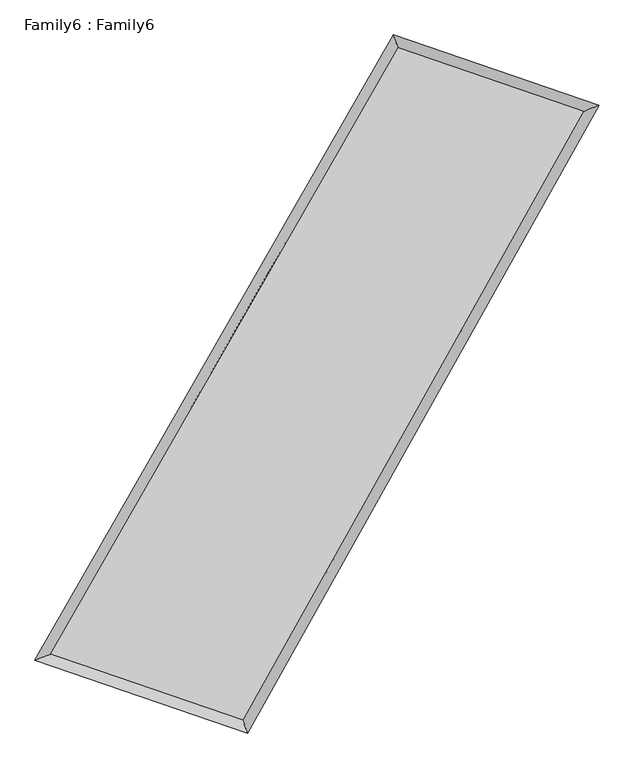
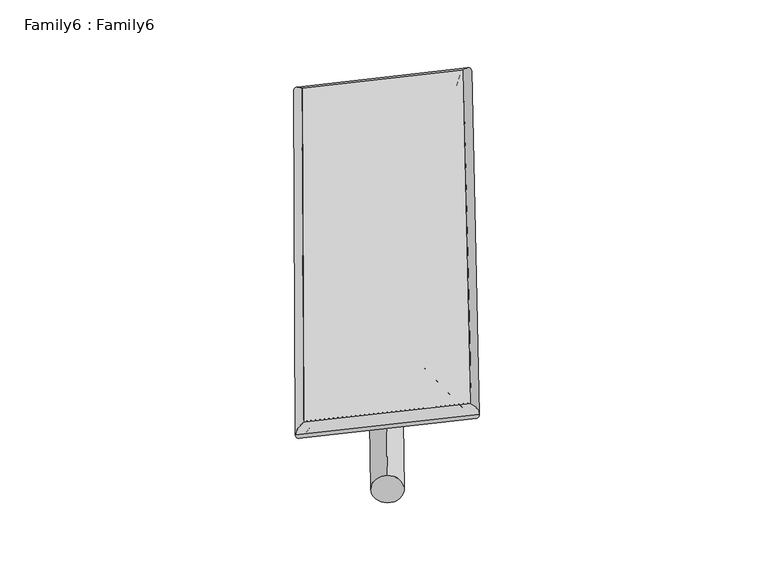
"""IFC4 building model written with IfcOpenShell, lengths in millimetres: plate geometry, Family6 : Family6."""

from ifc_helpers import new_model, si_unit, point, frame, origin, origin_2d, place, context, project, spatial, circle_curve, ellipse_curve, trimmed, segment, composite_curve, outline, extrude, source, transform, mapped, element, save
from ifc_brep_helpers import plane_surface, cylinder_surface, spline_surface, advanced_brep


def family6_family6_426306de(model_context):
    return source(origin(), model_context, "Body", "SolidModel", [
        extrude(outline(composite_curve([segment(trimmed(circle_curve(origin_2d(), 76.2), [point((-75.4341514, -10.7763074))], [point((75.4341514, 10.7763074))], False, "CARTESIAN"), True, "CONTINUOUS"), segment(trimmed(circle_curve(origin_2d(), 76.2), [point((75.4341514, 10.7763074))], [point((-75.4341514, -10.7763074))], False, "CARTESIAN"), True, "CONTINUOUS")], self_intersect=False)), frame((9144.0, 9144.0, 0.0), z_axis=(0.6751856242604717, 0.691868570844979, 0.25581683578084446), x_axis=(-0.6822164138129531, 0.7175902596914275, -0.14016056478262165)), (0.0, 0.0, 1.0), 5962.6651664),
        extrude(outline(composite_curve([segment(trimmed(circle_curve(origin_2d(), 76.2), [point((-53.8815368, 53.8815367))], [point((53.8815368, -53.8815367))], False, "CARTESIAN"), True, "CONTINUOUS"), segment(trimmed(circle_curve(origin_2d(), 76.2), [point((53.8815368, -53.8815367))], [point((-53.8815368, 53.8815367))], False, "CARTESIAN"), True, "CONTINUOUS")], self_intersect=False)), frame((9144.0, 9144.0, 0.0), z_axis=(-0.6812646156890454, -0.6862712959065231, 0.25477486497855084), x_axis=(0.6291513149495431, -0.3709880299649584, 0.6830347754836353)), (0.0, 0.0, 1.0), 5987.3926434),
        extrude(outline(composite_curve([segment(trimmed(circle_curve(origin_2d(), 76.2), [point((-53.8815367, -53.8815367))], [point((53.8815367, 53.8815367))], False, "CARTESIAN"), True, "CONTINUOUS"), segment(trimmed(circle_curve(origin_2d(), 76.2), [point((53.8815367, 53.8815367))], [point((-53.8815367, -53.8815367))], False, "CARTESIAN"), True, "CONTINUOUS")], self_intersect=False)), frame((9144.0, 9144.0, 0.0), z_axis=(0.22025527224044994, 0.9346441776992356, 0.2791556485962713), x_axis=(-0.8500000270903699, 0.32429705389693886, -0.41512814260193964)), (0.0, 0.0, 1.0), 5450.7428921),
        extrude(outline(composite_curve([segment(trimmed(circle_curve(origin_2d(), 76.2), [point((-75.4341514, 10.7763074))], [point((75.4341514, -10.7763074))], False, "CARTESIAN"), True, "CONTINUOUS"), segment(trimmed(circle_curve(origin_2d(), 76.2), [point((75.4341514, -10.7763074))], [point((-75.4341514, 10.7763074))], False, "CARTESIAN"), True, "CONTINUOUS")], self_intersect=False)), frame((9144.0, 9144.0, 0.0), z_axis=(-0.21043238119192234, -0.9369845190749209, 0.27888747544455467), x_axis=(0.8952350153478267, -0.07007823623804098, 0.44004921099911304)), (0.0, 0.0, 1.0), 5456.6890519),
        advanced_brep(
        [(4840.9255471, 4950.6847932, 1525.2104219), (4840.9251495, 4950.6842777, 1525.7470368), (5289.0769566, 5119.3637898, 1525.6638827), (10414.1346185, 14053.5225047, 1521.9445188), (10274.9751008, 14423.4877118, 1521.266816), (5289.0773542, 5119.3643053, 1525.1272678), (12947.6839203, 13184.4889928, 1525.3022592), (13392.127685, 13354.2722614, 1525.3980122), (7924.8790089, 4216.5295415, 1521.8581477), (8066.5928498, 3845.8041244, 1521.7463203)],
        [
            (0, 1, ellipse_curve(frame((5065.0012518, 5035.0242915, 1525.4371523), z_axis=(-0.352262888666352, 0.9359008762664683, 0.0006380220168178377), x_axis=(-0.9359003800918207, -0.3522633800772486, 0.0009947866792998144)), 239.4231425, 152.4)),
            (1, 2, ellipse_curve(frame((5065.0012518, 5035.0242915, 1525.4371523), z_axis=(-0.352262888666352, 0.9359008762664683, 0.0006380220168178377), x_axis=(-0.9359003800918207, -0.3522633800772486, 0.0009947866792998144)), 239.4231425, 152.4)),
            (2, 3),
            (3, 4, ellipse_curve(frame((10344.5548596, 14238.5051083, 1521.6056674), z_axis=(-0.9359767339517832, -0.3520613846999472, -0.0005787090019399818), x_axis=(0.35206047375710425, -0.9359763965366154, 0.0012680474186107988)), 197.6360963, 152.4)),
            (4, 0),
            (2, 5, ellipse_curve(frame((5065.0012518, 5035.0242915, 1525.4371523), z_axis=(-0.352262888666352, 0.9359008762664683, 0.0006380220168178377), x_axis=(-0.9359003800918207, -0.3522633800772486, 0.0009947866792998144)), 239.4231425, 152.4)),
            (5, 0, ellipse_curve(frame((5065.0012518, 5035.0242915, 1525.4371523), z_axis=(-0.352262888666352, 0.9359008762664683, 0.0006380220168178377), x_axis=(-0.9359003800918207, -0.3522633800772486, 0.0009947866792998144)), 239.4231425, 152.4)),
            (4, 3, ellipse_curve(frame((10344.5548596, 14238.5051083, 1521.6056674), z_axis=(-0.9359767339517832, -0.3520613846999472, -0.0005787090019399818), x_axis=(0.35206047375710425, -0.9359763965366154, 0.0012680474186107988)), 197.6360963, 152.4)),
            (3, 6),
            (6, 7, ellipse_curve(frame((13169.9058026, 13269.3806271, 1525.3501357), z_axis=(-0.35686011921192984, 0.9341575570474755, -0.0007168871180225312), x_axis=(-0.9341570325499244, -0.35686071275358217, -0.0010345194657262748)), 237.8848741, 152.4)),
            (7, 4),
            (7, 6, ellipse_curve(frame((13169.9058026, 13269.3806271, 1525.3501357), z_axis=(-0.35686011921192984, 0.9341575570474755, -0.0007168871180225312), x_axis=(-0.9341570325499244, -0.35686071275358217, -0.0010345194657262748)), 237.8848741, 152.4)),
            (6, 8),
            (8, 9, ellipse_curve(frame((7995.7359294, 4031.1668329, 1521.802234), z_axis=(0.9340803095858388, 0.35706256787159785, -0.0005457737295470687), x_axis=(-0.3570617731642904, 0.9340800305498683, 0.0011775706900636008)), 198.444103, 152.4)),
            (9, 7),
            (9, 8, ellipse_curve(frame((7995.7359294, 4031.1668329, 1521.802234), z_axis=(0.9340803095858388, 0.35706256787159785, -0.0005457737295470687), x_axis=(-0.3570617731642904, 0.9340800305498683, 0.0011775706900636008)), 198.444103, 152.4)),
            (8, 5),
            (1, 9),
        ],
        [
            cylinder_surface(frame((5065.0012518, 5035.0242915, 1525.4371523), z_axis=(-0.4975891503204302, -0.867412766266544, 0.00036111108313663647), x_axis=(-0.8674115611577647, 0.4975876575068107, -0.0019252705613368214)), 152.4),
            cylinder_surface(frame((10344.5548596, 14238.5051083, 1521.6056674), z_axis=(-0.9459007474992982, 0.32445370137489604, -0.0012536125393969103), x_axis=(0.32445513636484435, 0.9459003395282201, -0.0011883462747077655)), 152.4),
            cylinder_surface(frame((13169.9058026, 13269.3806271, 1525.3501357), z_axis=(0.48865871074675704, 0.8724749578864128, 0.0003350707682117273), x_axis=(0.8724750178457833, -0.48865871074675704, -8.744322529583252e-05)), 152.4),
            cylinder_surface(frame((7995.7359294, 4031.1668329, 1521.802234), z_axis=(0.9460409054455137, -0.3240451025251038, -0.0011733513231847648), x_axis=(-0.3240445859915539, -0.9460416122708207, 0.0006116711441656437)), 152.4),
        ],
        [
            (0, [[1, 2, 3, 4, 5]]),
            (0, [[6, 7, -5, 8, -3]]),
            (1, [[-4, 9, 10, 11]]),
            (1, [[-8, -11, 12, -9]]),
            (2, [[-10, 13, 14, 15]]),
            (2, [[-12, -15, 16, -13]]),
            (3, [[-14, 17, -6, -2, 18]]),
            (3, [[-16, -18, -1, -7, -17]]),
        ],
    ),
        extrude(outline(composite_curve([segment(trimmed(circle_curve(origin_2d(), 304.8), [point((-1e-07, -304.8))], [point((0.0, 304.8))], False, "CARTESIAN"), True, "CONTINUOUS"), segment(trimmed(circle_curve(origin_2d(), 304.8), [point((0.0, 304.8))], [point((-1e-07, -304.8))], False, "CARTESIAN"), True, "CONTINUOUS")], self_intersect=False)), frame((6522.7278534, 4516.3953497, -0.0001818), z_axis=(0.49286495336723846, 0.8701058198531423, 3.417780030607746e-08), x_axis=(-0.8701058198531428, 0.4928649533672384, 9.007533036484788e-09)), (0.0, 0.0, 1.0), 10636.877825),
        advanced_brep(
        [(5065.0012518, 5035.0242915, 1525.4371523), (7995.7359294, 4031.1668329, 1521.802234), (7995.7371506, 4031.168488, 1674.202234), (5065.0024731, 5035.0259466, 1677.8371523), (13169.9058026, 13269.3806271, 1525.3501357), (13169.9070239, 13269.3822822, 1677.7501357), (10344.5548596, 14238.5051083, 1521.6056674), (10344.5560809, 14238.5067633, 1674.0056674)],
        [
            (0, 1),
            (1, 2),
            (2, 3),
            (3, 0),
            (1, 4),
            (4, 5),
            (5, 2),
            (4, 6),
            (6, 7),
            (7, 5),
            (6, 0),
            (3, 7),
        ],
        [
            plane_surface(frame((6530.3685906, 4533.0955622, 1523.6196931), z_axis=(-0.3240453112764976, -0.9460415614940292, 1.2870783647444574e-05), x_axis=(0.9460409054455137, -0.324045102525104, -0.0011733513231847643))),
            plane_surface(frame((10582.820866, 8650.27373, 1523.5761848), z_axis=(0.8724750071384705, -0.48865873768498985, -1.6847591123571814e-06), x_axis=(0.48865871074675704, 0.8724749578864127, 0.00033507076821172755))),
            plane_surface(frame((11757.2303311, 13753.9428677, 1523.4779015), z_axis=(0.3244539715592032, 0.9459014854485417, -1.2872537232222502e-05), x_axis=(-0.945900747499298, 0.3244537013748965, -0.0012536125393969103))),
            plane_surface(frame((7704.7780557, 9636.7646999, 1523.5214098), z_axis=(-0.86741282254334, 0.4975891832475888, 1.5472082559277926e-06), x_axis=(-0.49758915032043066, -0.8674127662665436, 0.0003611110831366355))),
            spline_surface(1, 1, [[(7995.7371506, 4031.168488, 1674.202234), (5065.0024731, 5035.0259466, 1677.8371523)], [(13169.9070239, 13269.3822822, 1677.7501357), (10344.5560809, 14238.5067633, 1674.0056674)]], [2, 2], [2, 2], [0.0, 1.0], [0.0, 1.0]),
            spline_surface(1, 1, [[(10344.5548596, 14238.5051083, 1521.6056674), (5065.0012518, 5035.0242915, 1525.4371523)], [(13169.9058026, 13269.3806271, 1525.3501357), (7995.7359294, 4031.1668329, 1521.802234)]], [2, 2], [2, 2], [0.0, 1.0], [0.0, 1.0]),
        ],
        [
            (0, [[1, 2, 3, 4]]),
            (1, [[5, 6, 7, -2]]),
            (2, [[8, 9, 10, -6]]),
            (3, [[11, -4, 12, -9]]),
            (4, [[-3, -7, -10, -12]]),
            (5, [[-11, -8, -5, -1]]),
        ],
    ),
    ])


if __name__ == "__main__":
    model = new_model("IFC4")
    model_context = context("Model", 3, world=origin())
    ifc_project = project(units=[si_unit("LENGTHUNIT", "METRE", prefix="MILLI")], contexts=[model_context])
    site = spatial("IfcSite", under=ifc_project)
    building = spatial("IfcBuilding", under=site)
    placement = place(None, origin())
    family6_family6_shape = family6_family6_426306de(model_context)
    element("IfcPlate", 1, ObjectType="Family6 : Family6", at=placement, inside=building, context=model_context, shape_type="MappedRepresentation", body=[
        mapped(family6_family6_shape, transform((0.0, 0.0, 0.0), x_axis=(1.0, 0.0, 0.0), y_axis=(0.0, 1.0, 0.0), z_axis=(0.0, 0.0, 1.0))),
    ])
    save(model, "model.ifc")
